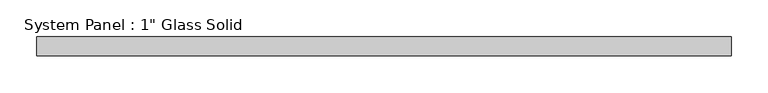
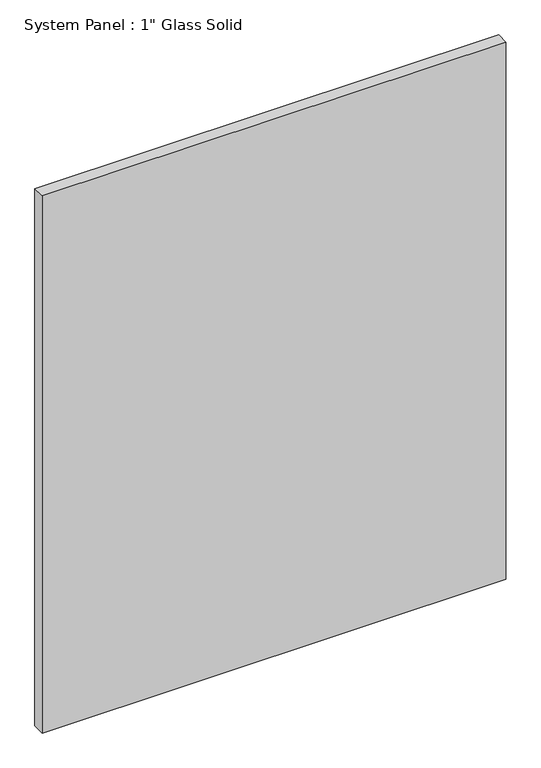
"""IFC4 building model written with IfcOpenShell, lengths in millimetres: plate geometry."""

from ifc_helpers import new_model, si_unit, origin, origin_with_axes, place, context, project, spatial, polyline, outline, extrude, source, transform, mapped, element, save


def plate_6668528f(model_context):
    return source(origin(), model_context, "Body", "SweptSolid", [
        extrude(outline(polyline([(470.9095691, -12.7), (-470.9095691, -12.7), (-470.9095691, 12.7), (470.9095691, 12.7), (470.9095691, -12.7)])), origin_with_axes(), (0.0, 0.0, 1.0), 1153.6861731),
    ])


if __name__ == "__main__":
    model = new_model("IFC4")
    model_context = context("Model", 3, world=origin())
    ifc_project = project(units=[si_unit("LENGTHUNIT", "METRE", prefix="MILLI")], contexts=[model_context])
    site = spatial("IfcSite", under=ifc_project)
    building = spatial("IfcBuilding", under=site)
    placement = place(None, origin())
    plate_shape = plate_6668528f(model_context)
    element("IfcPlate", 1, ObjectType="System Panel : 1\" Glass Solid", at=placement, inside=building, context=model_context, shape_type="MappedRepresentation", body=[
        mapped(plate_shape, transform((0.0, 0.0, 0.0), x_axis=(1.0, 0.0, 0.0), y_axis=(0.0, 1.0, 0.0), z_axis=(0.0, 0.0, 1.0))),
    ])
    save(model, "model.ifc")
